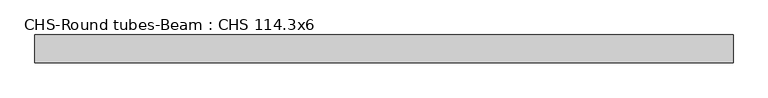
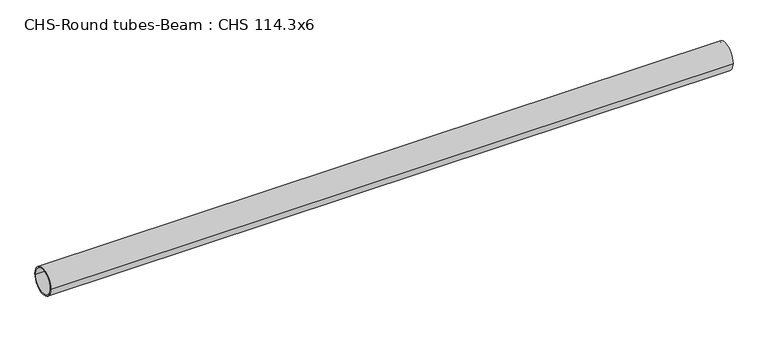
"""IFC4 building model written with IfcOpenShell, lengths in millimetres: beam geometry, CHS-Round tubes-Beam : CHS 114.3x6."""

from ifc_helpers import new_model, si_unit, point, frame, origin, origin_2d, place, context, project, spatial, circle_curve, trimmed, segment, composite_curve, outline, extrude, source, transform, mapped, element, save


def chs_round_tubes_beam_chs_114_3x6_f6e38b59(model_context):
    return source(origin(), model_context, "Body", "SweptSolid", [
        extrude(outline(composite_curve([segment(trimmed(circle_curve(origin_2d(), 57.15), [point((57.15, 0.0))], [point((-57.15, 0.0))], False, "CARTESIAN"), True, "CONTINUOUS"), segment(trimmed(circle_curve(origin_2d(), 57.15), [point((-57.15, 0.0))], [point((57.15, 0.0))], False, "CARTESIAN"), True, "CONTINUOUS")], self_intersect=False), holes=[composite_curve([segment(trimmed(circle_curve(origin_2d(), 51.15), [point((51.15, 0.0))], [point((-51.15, 0.0))], True, "CARTESIAN"), True, "CONTINUOUS"), segment(trimmed(circle_curve(origin_2d(), 51.15), [point((-51.15, 0.0))], [point((51.15, 0.0))], True, "CARTESIAN"), True, "CONTINUOUS")], self_intersect=False)]), frame((-1417.3002319, 0.0, 0.0), z_axis=(1.0, 0.0, 0.0), x_axis=(0.0, 1.0, 0.0)), (0.0, 0.0, 1.0), 2850.0220668),
    ])


if __name__ == "__main__":
    model = new_model("IFC4")
    model_context = context("Model", 3, world=origin())
    ifc_project = project(units=[si_unit("LENGTHUNIT", "METRE", prefix="MILLI")], contexts=[model_context])
    site = spatial("IfcSite", under=ifc_project)
    building = spatial("IfcBuilding", under=site)
    placement = place(None, origin())
    chs_round_tubes_beam_chs_114_3x6_shape = chs_round_tubes_beam_chs_114_3x6_f6e38b59(model_context)
    element("IfcBeam", 1, ObjectType="CHS-Round tubes-Beam : CHS 114.3x6", at=placement, inside=building, context=model_context, shape_type="MappedRepresentation", body=[
        mapped(chs_round_tubes_beam_chs_114_3x6_shape, transform((0.0, 0.0, 0.0), x_axis=(1.0, 0.0, 0.0), y_axis=(0.0, 1.0, 0.0), z_axis=(0.0, 0.0, 1.0))),
    ])
    save(model, "model.ifc")
